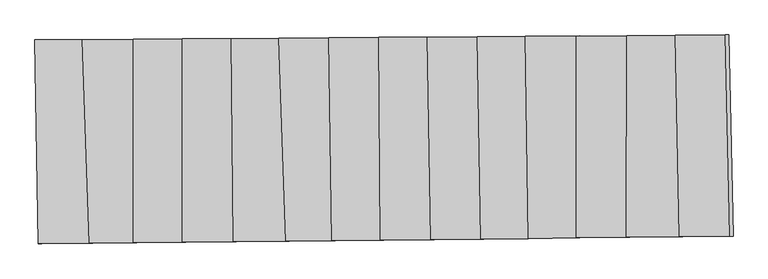
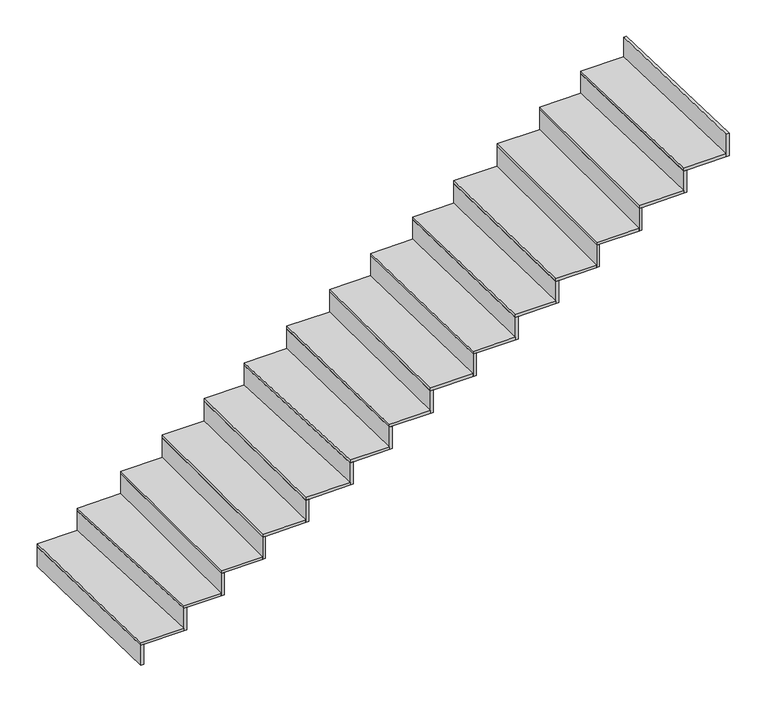
"""IFC4 building model written with IfcOpenShell, lengths in millimetres: stair flight geometry."""

from ifc_helpers import new_model, si_unit, frame, origin, place, context, project, spatial, polyline, outline, extrude, source, transform, mapped, element, save


def stair_flight_0ca7c079(model_context):
    return source(origin(), model_context, "Body", "SweptSolid", [
        extrude(outline(polyline([(-60613.9489199, 637.893813), (-60633.9481307, 637.6749362), (-60654.7434841, 1837.1963418), (-60634.7429675, 1837.3398941), (-60613.9489199, 637.893813)])), frame((0.0, 0.0, -2446.5), z_axis=(0.0, 0.0, 1.0), x_axis=(1.0, 0.0, 0.0)), (0.0, 0.0, 1.0), 142.8530746),
        extrude(outline(polyline([(-60376.8600329, 1839.1908301), (-60334.7381433, 640.9495717), (-60633.9481307, 637.6749362), (-60654.7434841, 1837.1963418), (-60376.8600329, 1839.1908301)])), frame((0.0, 0.0, -2303.6469254), z_axis=(0.0, 0.0, 1.0), x_axis=(1.0, 0.0, 0.0)), (0.0, 0.0, 1.0), 20.0),
        extrude(outline(polyline([(-60314.733486, 641.1685081), (-60334.7381433, 640.9495717), (-60376.8600329, 1839.1908301), (-60356.8527273, 1839.3344311), (-60314.733486, 641.1685081)])), frame((0.0, 0.0, -2303.6469254), z_axis=(0.0, 0.0, 1.0), x_axis=(1.0, 0.0, 0.0)), (0.0, 0.0, 1.0), 162.8530746),
        extrude(outline(polyline([(-60076.3014295, 1841.3480677), (-60076.3014295, 643.7779734), (-60334.7381433, 640.9495717), (-60376.8600329, 1839.1908301), (-60076.3014295, 1841.3480677)])), frame((0.0, 0.0, -2140.7938508), z_axis=(0.0, 0.0, 1.0), x_axis=(1.0, 0.0, 0.0)), (0.0, 0.0, 1.0), 20.0),
        extrude(outline(polyline([(-60056.3014295, 643.9968588), (-60076.3014295, 643.7779734), (-60076.3014295, 1841.3480677), (-60056.3014295, 1841.4916163), (-60056.3014295, 643.9968588)])), frame((0.0, 0.0, -2140.7938508), z_axis=(0.0, 0.0, 1.0), x_axis=(1.0, 0.0, 0.0)), (0.0, 0.0, 1.0), 162.8530746),
        extrude(outline(polyline([(-59789.1095876, 1843.4093663), (-59788.5519918, 646.9271815), (-60076.3014295, 643.7779734), (-60076.3014295, 1841.3480677), (-59789.1095876, 1843.4093663)])), frame((0.0, 0.0, -1977.9407762), z_axis=(0.0, 0.0, 1.0), x_axis=(1.0, 0.0, 0.0)), (0.0, 0.0, 1.0), 20.0),
        extrude(outline(polyline([(-59768.5520916, 647.1460659), (-59788.5519918, 646.9271815), (-59789.1095876, 1843.4093663), (-59769.1096523, 1843.5529144), (-59768.5520916, 647.1460659)])), frame((0.0, 0.0, -1977.9407762), z_axis=(0.0, 0.0, 1.0), x_axis=(1.0, 0.0, 0.0)), (0.0, 0.0, 1.0), 162.8530746),
        extrude(outline(polyline([(-59499.5611148, 1845.4875795), (-59489.2598294, 650.2027164), (-59788.5519918, 646.9271815), (-59789.1095876, 1843.4093663), (-59499.5611148, 1845.4875795)])), frame((0.0, 0.0, -1815.0877016), z_axis=(0.0, 0.0, 1.0), x_axis=(1.0, 0.0, 0.0)), (0.0, 0.0, 1.0), 20.0),
        extrude(outline(polyline([(-59469.260973, 650.4215893), (-59489.2598294, 650.2027164), (-59499.5611148, 1845.4875795), (-59479.5616092, 1845.6311245), (-59469.260973, 650.4215893)])), frame((0.0, 0.0, -1815.0877016), z_axis=(0.0, 0.0, 1.0), x_axis=(1.0, 0.0, 0.0)), (0.0, 0.0, 1.0), 162.8530746),
        extrude(outline(polyline([(-59222.0622387, 1847.4793076), (-59180.3704709, 653.5832856), (-59489.2598294, 650.2027164), (-59499.5611148, 1845.4875795), (-59222.0622387, 1847.4793076)])), frame((0.0, 0.0, -1652.234627), z_axis=(0.0, 0.0, 1.0), x_axis=(1.0, 0.0, 0.0)), (0.0, 0.0, 1.0), 20.0),
        extrude(outline(polyline([(-59160.3659254, 653.8022208), (-59180.3704709, 653.5832856), (-59222.0622387, 1847.4793076), (-59202.0550624, 1847.6229076), (-59160.3659254, 653.8022208)])), frame((0.0, 0.0, -1652.234627), z_axis=(0.0, 0.0, 1.0), x_axis=(1.0, 0.0, 0.0)), (0.0, 0.0, 1.0), 162.8530746),
        extrude(outline(polyline([(-58926.3310022, 1849.6018971), (-58908.0912737, 656.5631832), (-59180.3704709, 653.5832856), (-59222.0622387, 1847.4793076), (-58926.3310022, 1849.6018971)])), frame((0.0, 0.0, -1489.3815524), z_axis=(0.0, 0.0, 1.0), x_axis=(1.0, 0.0, 0.0)), (0.0, 0.0, 1.0), 20.0),
        extrude(outline(polyline([(-58888.0922827, 656.7820576), (-58908.0912737, 656.5631832), (-58926.3310022, 1849.6018971), (-58906.3308596, 1849.7454467), (-58888.0922827, 656.7820576)])), frame((0.0, 0.0, -1489.3815524), z_axis=(0.0, 0.0, 1.0), x_axis=(1.0, 0.0, 0.0)), (0.0, 0.0, 1.0), 162.8530746),
        extrude(outline(polyline([(-58631.4136339, 1851.7186451), (-58623.6365412, 659.6763332), (-58908.0912737, 656.5631832), (-58926.3310022, 1849.6018971), (-58631.4136339, 1851.7186451)])), frame((0.0, 0.0, -1326.5284778), z_axis=(0.0, 0.0, 1.0), x_axis=(1.0, 0.0, 0.0)), (0.0, 0.0, 1.0), 20.0),
        extrude(outline(polyline([(-58603.6375435, 659.8952077), (-58623.6365412, 659.6763332), (-58631.4136339, 1851.7186451), (-58611.4141448, 1851.86219), (-58603.6375435, 659.8952077)])), frame((0.0, 0.0, -1326.5284778), z_axis=(0.0, 0.0, 1.0), x_axis=(1.0, 0.0, 0.0)), (0.0, 0.0, 1.0), 162.8530746),
        extrude(outline(polyline([(-58347.3521875, 1853.7574756), (-58326.7917637, 662.9250833), (-58623.6365412, 659.6763332), (-58631.4136339, 1851.7186451), (-58347.3521875, 1853.7574756)])), frame((0.0, 0.0, -1163.6754032), z_axis=(0.0, 0.0, 1.0), x_axis=(1.0, 0.0, 0.0)), (0.0, 0.0, 1.0), 20.0),
        extrude(outline(polyline([(-58306.7925619, 663.14396), (-58326.7917637, 662.9250833), (-58347.3521875, 1853.7574756), (-58327.3516853, 1853.9010277), (-58306.7925619, 663.14396)])), frame((0.0, 0.0, -1163.6754032), z_axis=(0.0, 0.0, 1.0), x_axis=(1.0, 0.0, 0.0)), (0.0, 0.0, 1.0), 162.8530746),
        extrude(outline(polyline([(-58054.3440829, 1855.86052), (-58034.3008267, 666.1261837), (-58326.7917637, 662.9250833), (-58347.3521875, 1853.7574756), (-58054.3440829, 1855.86052)])), frame((0.0, 0.0, -1000.8223286), z_axis=(0.0, 0.0, 1.0), x_axis=(1.0, 0.0, 0.0)), (0.0, 0.0, 1.0), 20.0),
        extrude(outline(polyline([(-58014.3016761, 666.3450598), (-58034.3008267, 666.1261837), (-58054.3440829, 1855.86052), (-58034.3436634, 1856.0040715), (-58014.3016761, 666.3450598)])), frame((0.0, 0.0, -1000.8223286), z_axis=(0.0, 0.0, 1.0), x_axis=(1.0, 0.0, 0.0)), (0.0, 0.0, 1.0), 162.8530746),
        extrude(outline(polyline([(-57771.2947049, 1857.8920864), (-57752.969807, 669.2051469), (-58034.3008267, 666.1261837), (-58054.3440829, 1855.86052), (-57771.2947049, 1857.8920864)])), frame((0.0, 0.0, -837.9692541), z_axis=(0.0, 0.0, 1.0), x_axis=(1.0, 0.0, 0.0)), (0.0, 0.0, 1.0), 20.0),
        extrude(outline(polyline([(-57732.9708048, 669.4240214), (-57752.969807, 669.2051469), (-57771.2947049, 1857.8920864), (-57751.2945414, 1858.0356361), (-57732.9708048, 669.4240214)])), frame((0.0, 0.0, -837.9692541), z_axis=(0.0, 0.0, 1.0), x_axis=(1.0, 0.0, 0.0)), (0.0, 0.0, 1.0), 162.8530746),
        extrude(outline(polyline([(-57470.9847268, 1860.0475395), (-57470.9847268, 672.2912684), (-57752.969807, 669.2051469), (-57771.2947049, 1857.8920864), (-57470.9847268, 1860.0475395)])), frame((0.0, 0.0, -675.1161795), z_axis=(0.0, 0.0, 1.0), x_axis=(1.0, 0.0, 0.0)), (0.0, 0.0, 1.0), 20.0),
        extrude(outline(polyline([(-57450.9847268, 672.5101538), (-57470.9847268, 672.2912684), (-57470.9847268, 1860.0475395), (-57450.9847268, 1860.191088), (-57450.9847268, 672.5101538)])), frame((0.0, 0.0, -675.1161795), z_axis=(0.0, 0.0, 1.0), x_axis=(1.0, 0.0, 0.0)), (0.0, 0.0, 1.0), 162.8530746),
        extrude(outline(polyline([(-57174.8331175, 1862.1731462), (-57175.914887, 675.520593), (-57470.9847268, 672.2912684), (-57470.9847268, 1860.0475395), (-57174.8331175, 1862.1731462)])), frame((0.0, 0.0, -512.2631049), z_axis=(0.0, 0.0, 1.0), x_axis=(1.0, 0.0, 0.0)), (0.0, 0.0, 1.0), 20.0),
        extrude(outline(polyline([(-57155.9146791, 675.7394807), (-57175.914887, 675.520593), (-57174.8331175, 1862.1731462), (-57154.8329783, 1862.3166957), (-57155.9146791, 675.7394807)])), frame((0.0, 0.0, -512.2631049), z_axis=(0.0, 0.0, 1.0), x_axis=(1.0, 0.0, 0.0)), (0.0, 0.0, 1.0), 162.8530746),
        extrude(outline(polyline([(-56889.9488302, 1864.2178825), (-56864.1718504, 678.9323936), (-57175.914887, 675.520593), (-57174.8331175, 1862.1731462), (-56889.9488302, 1864.2178825)])), frame((0.0, 0.0, -349.4100303), z_axis=(0.0, 0.0, 1.0), x_axis=(1.0, 0.0, 0.0)), (0.0, 0.0, 1.0), 20.0),
        extrude(outline(polyline([(-56844.1718817, 679.1512787), (-56864.1718504, 678.9323936), (-56889.9488302, 1864.2178825), (-56869.9472233, 1864.3614426), (-56844.1718817, 679.1512787)])), frame((0.0, 0.0, -349.4100303), z_axis=(0.0, 0.0, 1.0), x_axis=(1.0, 0.0, 0.0)), (0.0, 0.0, 1.0), 162.8530746),
        extrude(outline(polyline([(-56548.9883809, 682.3818473), (-56568.9883497, 682.1629622), (-56594.741152, 1866.3367142), (-56574.7395451, 1866.4802743), (-56548.9883809, 682.3818473)])), frame((0.0, 0.0, -186.5569557), z_axis=(0.0, 0.0, 1.0), x_axis=(1.0, 0.0, 0.0)), (0.0, 0.0, 1.0), 162.8530746),
        extrude(outline(polyline([(-56594.741152, 1866.3367142), (-56568.9883497, 682.1629622), (-56864.1718504, 678.9323936), (-56889.9488302, 1864.2178825), (-56594.741152, 1866.3367142)])), frame((0.0, 0.0, -186.5569557), z_axis=(0.0, 0.0, 1.0), x_axis=(1.0, 0.0, 0.0)), (0.0, 0.0, 1.0), 20.0),
    ])


if __name__ == "__main__":
    model = new_model("IFC4")
    model_context = context("Model", 3, world=origin())
    ifc_project = project(units=[si_unit("LENGTHUNIT", "METRE", prefix="MILLI")], contexts=[model_context])
    site = spatial("IfcSite", under=ifc_project)
    building = spatial("IfcBuilding", under=site)
    placement = place(None, origin())
    stair_flight_shape = stair_flight_0ca7c079(model_context)
    element("IfcStairFlight", 1, at=placement, inside=building, context=model_context, shape_type="MappedRepresentation", body=[
        mapped(stair_flight_shape, transform((0.0, 0.0, 0.0), x_axis=(1.0, 0.0, 0.0), y_axis=(0.0, 1.0, 0.0), z_axis=(0.0, 0.0, 1.0))),
    ])
    save(model, "model.ifc")
